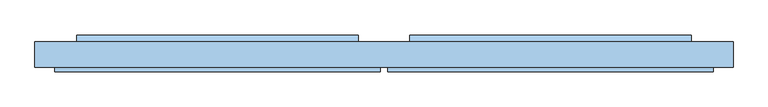
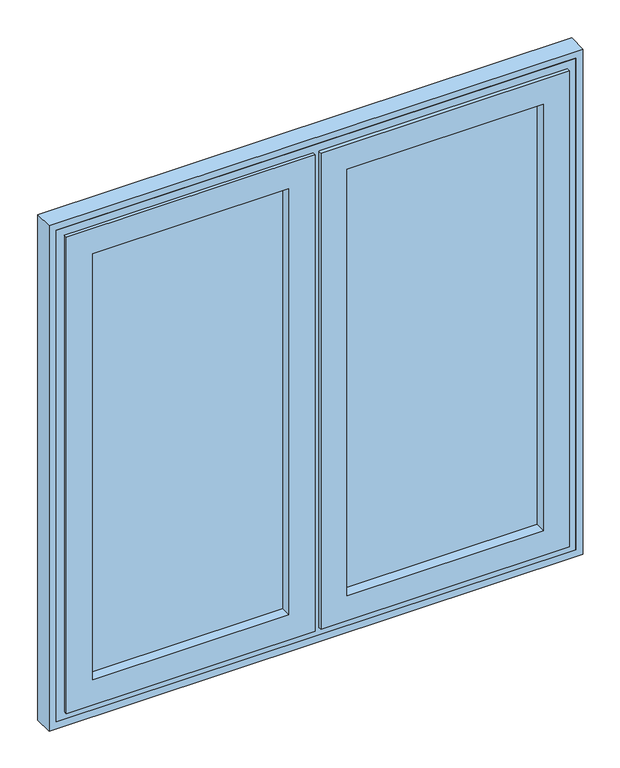
"""IFC4 building model written with IfcOpenShell, lengths in millimetres: window geometry."""

import ifcopenshell
import ifcopenshell.guid

model = None  # the IFC model being written
_history = None  # IfcOwnerHistory: only IFC2X3 demands one
_inside = {}  # id of a spatial element -> (the spatial element, [elements in it])
_under = {}  # id of a project, library or spatial element -> (it, [spatial elements below it])
_declared = {}  # id of a project -> (the project, [libraries it declares])
_typed = {}  # id of a type object -> (the type object, [elements of that type])
_made_of = {}  # id of a material, layer set ... -> (it, [elements and type objects made of it])


def new_model(schema):
    """Start an empty IFC model of exactly this schema.

    Asked for "IFC4X3", IfcOpenShell would pick the latest addendum, in which some entities
    have other attributes; the version numbers below select the first issue.
    IFC2X3 requires an IfcOwnerHistory on every rooted entity: one is made here for all.
    """
    global model, _history
    if schema == "IFC4X3":
        model = ifcopenshell.file(schema_version=(4, 3, 0, 0))
    else:
        model = ifcopenshell.file(schema=schema)
    _inside.clear()
    _under.clear()
    _declared.clear()
    _typed.clear()
    _made_of.clear()
    _history = None
    if model.schema == "IFC2X3":
        org = make("IfcOrganization", Name="unknown")
        user = make(
            "IfcPersonAndOrganization",
            ThePerson=make("IfcPerson", FamilyName="unknown"),
            TheOrganization=org,
        )
        app = make(
            "IfcApplication",
            ApplicationDeveloper=org,
            Version="unknown",
            ApplicationFullName="unknown",
            ApplicationIdentifier="unknown",
        )
        _history = make(
            "IfcOwnerHistory",
            OwningUser=user,
            OwningApplication=app,
            ChangeAction="ADDED",
            CreationDate=0,
        )
    return model


def make(cls, **values):
    """One entity of the class cls with the attributes given. An attribute that is None is left unset."""
    return model.create_entity(
        cls, **{name: value for name, value in values.items() if value is not None}
    )


def rooted(cls, **values):
    """An entity with a GlobalId (a new one), such as an element, a storey or a relation."""
    return make(cls, GlobalId=ifcopenshell.guid.new(), OwnerHistory=_history, **values)


def si_unit(unit_type, name, prefix=None):
    """IfcSIUnit, for example si_unit("LENGTHUNIT", "METRE", prefix="MILLI")."""
    return make("IfcSIUnit", UnitType=unit_type, Prefix=prefix, Name=name)


def assignment(units):
    """IfcUnitAssignment: the units of a project."""
    return None if units is None else make("IfcUnitAssignment", Units=units)


def point(xyz):
    """IfcCartesianPoint."""
    return None if xyz is None else make("IfcCartesianPoint", Coordinates=xyz)


def direction(xyz):
    """IfcDirection."""
    return None if xyz is None else make("IfcDirection", DirectionRatios=xyz)


def frame(location, z_axis=None, x_axis=None):
    """IfcAxis2Placement3D, a coordinate frame: its origin and axes. An axis left out is left unset."""
    return make(
        "IfcAxis2Placement3D",
        Location=point(location),
        Axis=direction(z_axis),
        RefDirection=direction(x_axis),
    )


def origin():
    """The frame at (0, 0, 0) with its axes left unset."""
    return frame((0.0, 0.0, 0.0))


def place(relative_to, where):
    """IfcLocalPlacement: puts the frame where relative to a parent placement (None: the world)."""
    return make(
        "IfcLocalPlacement", PlacementRelTo=relative_to, RelativePlacement=where
    )


def context(
    kind, dimensions, precision=None, world=None, true_north=None, identifier=None
):
    """IfcGeometricRepresentationContext, for example the 3D "Model" context."""
    return make(
        "IfcGeometricRepresentationContext",
        ContextIdentifier=identifier,
        ContextType=kind,
        CoordinateSpaceDimension=dimensions,
        Precision=precision,
        WorldCoordinateSystem=world,
        TrueNorth=true_north,
    )


def project(units=None, contexts=None):
    """IfcProject with its units and contexts."""
    return rooted(
        "IfcProject",
        Name="project",
        RepresentationContexts=contexts,
        UnitsInContext=assignment(units),
    )


def spatial(cls, under=None, at=None, **own):
    """A site, building, storey or space (cls), placed at a placement, below another one or the project."""
    s = rooted(cls, ObjectPlacement=at, **own)
    if under is not None:
        _under.setdefault(under.id(), (under, []))[1].append(s)
    return s


def polyline(points):
    """IfcPolyline through the points."""
    return make("IfcPolyline", Points=[point(p) for p in points])


def outline(outer, holes=None, kind="AREA"):
    """IfcArbitraryClosedProfileDef: a profile drawn as a closed curve; with holes, ...WithVoids."""
    if holes is None:
        return make("IfcArbitraryClosedProfileDef", ProfileType=kind, OuterCurve=outer)
    return make(
        "IfcArbitraryProfileDefWithVoids",
        ProfileType=kind,
        OuterCurve=outer,
        InnerCurves=holes,
    )


def extrude(swept, where, along, depth):
    """IfcExtrudedAreaSolid: the profile swept, set in the frame where, extruded along a direction by depth."""
    return make(
        "IfcExtrudedAreaSolid",
        SweptArea=swept,
        Position=where,
        ExtrudedDirection=direction(along),
        Depth=depth,
    )


def faces_of(points, faces, orient=None, outer=None):
    """IfcFace entities. A face is a list of loops; a loop is a list of indices into points, from 0.

    orient and outer hold one flag for each loop. By default every Orientation is true, the
    first loop of a face is its IfcFaceOuterBound and the others are IfcFaceBound.
    """
    made = []
    for i, loops in enumerate(faces):
        bounds = []
        for j, loop in enumerate(loops):
            is_outer = j == 0 if outer is None else outer[i][j]
            bounds.append(
                make(
                    "IfcFaceOuterBound" if is_outer else "IfcFaceBound",
                    Bound=make("IfcPolyLoop", Polygon=[points[k] for k in loop]),
                    Orientation=True if orient is None else orient[i][j],
                )
            )
        made.append(make("IfcFace", Bounds=bounds))
    return made


def faceted_brep(points, faces, orient=None, outer=None, voids=None):
    """IfcFacetedBrep: a solid bounded by flat faces; with voids (closed shells), ...WithVoids."""
    shared = [point(p) for p in points]
    hull = make("IfcClosedShell", CfsFaces=faces_of(shared, faces, orient, outer))
    if voids is None:
        return make("IfcFacetedBrep", Outer=hull)
    return make(
        "IfcFacetedBrepWithVoids",
        Outer=hull,
        Voids=[
            make(cls, CfsFaces=faces_of(shared, fs, o, b)) for cls, fs, o, b in voids
        ],
    )


def shape(context_of_items, identifier, shape_type, items):
    """IfcShapeRepresentation: the items that make up one representation, for example the "Body"."""
    return make(
        "IfcShapeRepresentation",
        ContextOfItems=context_of_items,
        RepresentationIdentifier=identifier,
        RepresentationType=shape_type,
        Items=items,
    )


def source(mapping_origin, context_of_items, identifier, shape_type, items):
    """IfcRepresentationMap: a shape defined once, which mapped items show again and again."""
    return make(
        "IfcRepresentationMap",
        MappingOrigin=mapping_origin,
        MappedRepresentation=shape(context_of_items, identifier, shape_type, items),
    )


def transform(
    local_origin,
    x_axis=None,
    y_axis=None,
    z_axis=None,
    scale=None,
    scale2=None,
    scale3=None,
    uniform=True,
):
    """IfcCartesianTransformationOperator3D, or its non-uniform kind. x_axis, y_axis, z_axis: its Axis1, 2, 3."""
    if uniform:
        return make(
            "IfcCartesianTransformationOperator3D",
            Axis1=direction(x_axis),
            Axis2=direction(y_axis),
            LocalOrigin=point(local_origin),
            Scale=scale,
            Axis3=direction(z_axis),
        )
    return make(
        "IfcCartesianTransformationOperator3DnonUniform",
        Axis1=direction(x_axis),
        Axis2=direction(y_axis),
        LocalOrigin=point(local_origin),
        Scale=scale,
        Axis3=direction(z_axis),
        Scale2=scale2,
        Scale3=scale3,
    )


def mapped(mapping_source, mapping_target):
    """IfcMappedItem: shows the shape of a source again, moved by a transform."""
    return make(
        "IfcMappedItem", MappingSource=mapping_source, MappingTarget=mapping_target
    )


def made_of(thing, what):
    """Note that an element or type object is made of a material, layer set ...; save() writes the relation."""
    if what is not None:
        _made_of.setdefault(what.id(), (what, []))[1].append(thing)
    return thing


def element(
    cls,
    number,
    at=None,
    inside=None,
    cuts=None,
    type_object=None,
    material=None,
    context=None,
    identifier="Body",
    shape_type=None,
    held_by="IfcProductDefinitionShape",
    body=None,
    shapes=None,
    **own,
):
    """One element of the class cls, such as IfcWall. Its Tag is "e" and its number.

    at: its placement. inside: the storey or other place that contains it. cuts: it is an
    opening in that element (IfcRelVoidsElement). A single representation is given by context,
    identifier, shape_type and body (its items); several are given by shapes. held_by: the class
    of the entity that holds the representations. save() writes the other relations.
    """
    e = rooted(cls, Tag="e%d" % number, ObjectPlacement=at, **own)
    if body is not None:
        shapes = [shape(context, identifier, shape_type, body)]
    if shapes is not None:
        e.Representation = make(held_by, Representations=shapes)
    if inside is not None:
        _inside.setdefault(inside.id(), (inside, []))[1].append(e)
    if cuts is not None:
        rooted(
            "IfcRelVoidsElement", RelatingBuildingElement=cuts, RelatedOpeningElement=e
        )
    if type_object is not None:
        _typed.setdefault(type_object.id(), (type_object, []))[1].append(e)
    return made_of(e, material)


def aggregate(whole, parts):
    """IfcRelAggregates: a whole, such as a stair, and the parts it consists of."""
    return rooted("IfcRelAggregates", RelatingObject=whole, RelatedObjects=parts)


def save(model, path):
    """Write the relations noted so far, then the file.

    IfcRelAggregates (storeys below a building ...), IfcRelContainedInSpatialStructure (elements
    in a storey), IfcRelDefinesByType, IfcRelAssociatesMaterial and IfcRelDeclares: one each for
    every whole, place, type object, material and project.
    """
    for whole, parts in _under.values():
        aggregate(whole, parts)
    for where, things in _inside.values():
        rooted(
            "IfcRelContainedInSpatialStructure",
            RelatedElements=things,
            RelatingStructure=where,
        )
    for kind, things in _typed.values():
        rooted("IfcRelDefinesByType", RelatedObjects=things, RelatingType=kind)
    for what, things in _made_of.values():
        rooted("IfcRelAssociatesMaterial", RelatedObjects=things, RelatingMaterial=what)
    for by, libraries in _declared.values():
        rooted("IfcRelDeclares", RelatingContext=by, RelatedDefinitions=libraries)
    model.write(path)


def window_1be2a653(model_context):
    return source(origin(), model_context, "Body", "SolidModel", [
        faceted_brep([(-707.0, 36.0, 943.0), (-707.0, 46.0, 943.0), (-8.0, 46.0, 943.0), (-8.0, 36.0, 943.0), (-676.0, 90.0, 974.0), (-676.0, 100.0, 974.0), (-39.0, 100.0, 974.0), (-39.0, 90.0, 974.0), (-633.0, 100.0, 1017.0), (-633.0, 36.0, 1017.0), (-82.0, 36.0, 1017.0), (-82.0, 100.0, 1017.0), (-8.0, 46.0, 2357.0), (-8.0, 36.0, 2357.0), (-39.0, 100.0, 2326.0), (-39.0, 90.0, 2326.0), (-82.0, 36.0, 2283.0), (-82.0, 100.0, 2283.0), (-707.0, 46.0, 2357.0), (-707.0, 36.0, 2357.0), (-676.0, 100.0, 2326.0), (-676.0, 90.0, 2326.0), (-633.0, 36.0, 2283.0), (-633.0, 100.0, 2283.0), (-682.0, 90.0, 968.0), (-682.0, 90.0, 2332.0), (-33.0, 90.0, 2332.0), (-33.0, 90.0, 968.0), (-682.0, 46.0, 968.0), (-33.0, 46.0, 968.0), (-33.0, 46.0, 2332.0), (-682.0, 46.0, 2332.0)], [[[0, 1, 2, 3]], [[4, 5, 6, 7]], [[8, 9, 10, 11]], [[3, 2, 12, 13]], [[7, 6, 14, 15]], [[11, 10, 16, 17]], [[13, 12, 18, 19]], [[15, 14, 20, 21]], [[17, 16, 22, 23]], [[19, 18, 1, 0]], [[5, 20, 14, 6], [11, 17, 23, 8]], [[21, 20, 5, 4]], [[24, 25, 26, 27], [7, 15, 21, 4]], [[23, 22, 9, 8]], [[3, 13, 19, 0], [9, 22, 16, 10]], [[28, 24, 27, 29]], [[29, 27, 26, 30]], [[30, 26, 25, 31]], [[1, 18, 12, 2], [29, 30, 31, 28]], [[31, 25, 24, 28]]]),
        extrude(outline(polyline([(-82.0, 66.0), (-633.0, 66.0), (-633.0, 90.0), (-82.0, 90.0), (-82.0, 66.0)])), frame((0.0, 0.0, 1017.0), z_axis=(0.0, 0.0, 1.0), x_axis=(1.0, 0.0, 0.0)), (0.0, 0.0, 1.0), 1266.0),
        extrude(outline(polyline([(115.0, 974.0), (100.0, 974.0), (100.0, 986.5), (115.0, 979.0), (115.0, 974.0)])), frame((-660.0, 0.0, 0.0), z_axis=(1.0, 0.0, 0.0), x_axis=(0.0, 1.0, 0.0)), (0.0, 0.0, 1.0), 605.0),
        faceted_brep([(8.0, 36.0, 943.0), (8.0, 46.0, 943.0), (707.0, 46.0, 943.0), (707.0, 36.0, 943.0), (39.0, 90.0, 974.0), (39.0, 100.0, 974.0), (676.0, 100.0, 974.0), (676.0, 90.0, 974.0), (82.0, 100.0, 1017.0), (82.0, 36.0, 1017.0), (633.0, 36.0, 1017.0), (633.0, 100.0, 1017.0), (707.0, 46.0, 2357.0), (707.0, 36.0, 2357.0), (676.0, 100.0, 2326.0), (676.0, 90.0, 2326.0), (633.0, 36.0, 2283.0), (633.0, 100.0, 2283.0), (8.0, 46.0, 2357.0), (8.0, 36.0, 2357.0), (39.0, 100.0, 2326.0), (39.0, 90.0, 2326.0), (82.0, 36.0, 2283.0), (82.0, 100.0, 2283.0), (33.0, 90.0, 968.0), (33.0, 90.0, 2332.0), (682.0, 90.0, 2332.0), (682.0, 90.0, 968.0), (33.0, 46.0, 968.0), (682.0, 46.0, 968.0), (682.0, 46.0, 2332.0), (33.0, 46.0, 2332.0)], [[[0, 1, 2, 3]], [[4, 5, 6, 7]], [[8, 9, 10, 11]], [[3, 2, 12, 13]], [[7, 6, 14, 15]], [[11, 10, 16, 17]], [[13, 12, 18, 19]], [[15, 14, 20, 21]], [[17, 16, 22, 23]], [[19, 18, 1, 0]], [[5, 20, 14, 6], [11, 17, 23, 8]], [[21, 20, 5, 4]], [[24, 25, 26, 27], [7, 15, 21, 4]], [[23, 22, 9, 8]], [[3, 13, 19, 0], [9, 22, 16, 10]], [[28, 24, 27, 29]], [[29, 27, 26, 30]], [[30, 26, 25, 31]], [[1, 18, 12, 2], [29, 30, 31, 28]], [[31, 25, 24, 28]]]),
        extrude(outline(polyline([(633.0, 66.0), (82.0, 66.0), (82.0, 90.0), (633.0, 90.0), (633.0, 66.0)])), frame((0.0, 0.0, 1017.0), z_axis=(0.0, 0.0, 1.0), x_axis=(1.0, 0.0, 0.0)), (0.0, 0.0, 1.0), 1266.0),
        extrude(outline(polyline([(115.0, 974.0), (100.0, 974.0), (100.0, 986.5), (115.0, 979.0), (115.0, 974.0)])), frame((55.0, 0.0, 0.0), z_axis=(1.0, 0.0, 0.0), x_axis=(0.0, 1.0, 0.0)), (0.0, 0.0, 1.0), 605.0),
        extrude(outline(polyline([(920.0, 730.0), (2380.0, 730.0), (2380.0, -730.0), (920.0, -730.0), (920.0, 730.0)]), holes=[polyline([(2332.0, -682.0), (2332.0, -33.0), (968.0, -33.0), (968.0, -682.0), (2332.0, -682.0)]), polyline([(2332.0, 682.0), (968.0, 682.0), (968.0, 33.0), (2332.0, 33.0), (2332.0, 682.0)])]), frame((0.0, 46.0, 0.0), z_axis=(0.0, 1.0, 0.0), x_axis=(0.0, 0.0, 1.0)), (0.0, 0.0, 1.0), 54.0),
        extrude(outline(polyline([(2400.0, 750.0), (2400.0, -750.0), (900.0, -750.0), (900.0, 750.0), (2400.0, 750.0)]), holes=[polyline([(920.0, -730.0), (2380.0, -730.0), (2380.0, 730.0), (920.0, 730.0), (920.0, -730.0)])]), frame((0.0, 46.0, 0.0), z_axis=(0.0, 1.0, 0.0), x_axis=(0.0, 0.0, 1.0)), (0.0, 0.0, 1.0), 54.0),
    ])


if __name__ == "__main__":
    model = new_model("IFC4")
    model_context = context("Model", 3, world=origin())
    ifc_project = project(units=[si_unit("LENGTHUNIT", "METRE", prefix="MILLI")], contexts=[model_context])
    site = spatial("IfcSite", under=ifc_project)
    building = spatial("IfcBuilding", under=site)
    placement = place(None, origin())
    window_shape = window_1be2a653(model_context)
    element("IfcWindow", 1, at=placement, inside=building, context=model_context, shape_type="MappedRepresentation", body=[
        mapped(window_shape, transform((0.0, 0.0, 0.0), x_axis=(1.0, 0.0, 0.0), y_axis=(0.0, 1.0, 0.0), z_axis=(0.0, 0.0, 1.0))),
    ])
    save(model, "model.ifc")
